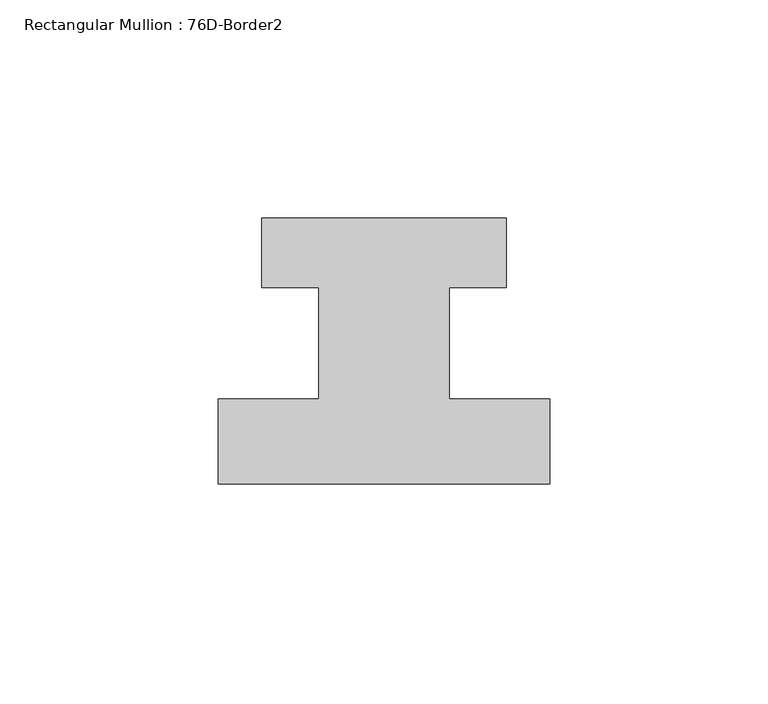
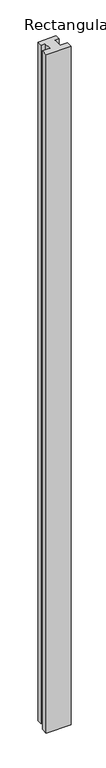
"""IFC4 building model written with IfcOpenShell, lengths in millimetres: member geometry, Rectangular Mullion : 76D-Border2."""

from ifc_helpers import new_model, si_unit, frame, origin, place, context, project, spatial, polyline, outline, extrude, source, transform, mapped, element, save


def rectangular_mullion_76d_border2_d7e4d0d4(model_context):
    return source(origin(), model_context, "Body", "SweptSolid", [
        extrude(outline(polyline([(0.0, -20.0), (-76.0, -20.0), (-76.0, -0.5), (-53.0, -0.5), (-53.0, 25.0), (-66.0, 25.0), (-66.0, 41.0), (-10.0, 41.0), (-10.0, 25.0), (-23.0, 25.0), (-23.0, -0.5), (0.0, -0.5), (0.0, -20.0)])), frame((0.0, 0.0, -2200.0), z_axis=(0.0, 0.0, 1.0), x_axis=(1.0, 0.0, 0.0)), (0.0, 0.0, 1.0), 2200.0),
    ])


if __name__ == "__main__":
    model = new_model("IFC4")
    model_context = context("Model", 3, world=origin())
    ifc_project = project(units=[si_unit("LENGTHUNIT", "METRE", prefix="MILLI")], contexts=[model_context])
    site = spatial("IfcSite", under=ifc_project)
    building = spatial("IfcBuilding", under=site)
    placement = place(None, origin())
    rectangular_mullion_76d_border2_shape = rectangular_mullion_76d_border2_d7e4d0d4(model_context)
    element("IfcMember", 1, ObjectType="Rectangular Mullion : 76D-Border2", at=placement, inside=building, context=model_context, shape_type="MappedRepresentation", body=[
        mapped(rectangular_mullion_76d_border2_shape, transform((0.0, 0.0, 0.0), x_axis=(1.0, 0.0, 0.0), y_axis=(0.0, 1.0, 0.0), z_axis=(0.0, 0.0, 1.0))),
    ])
    save(model, "model.ifc")
